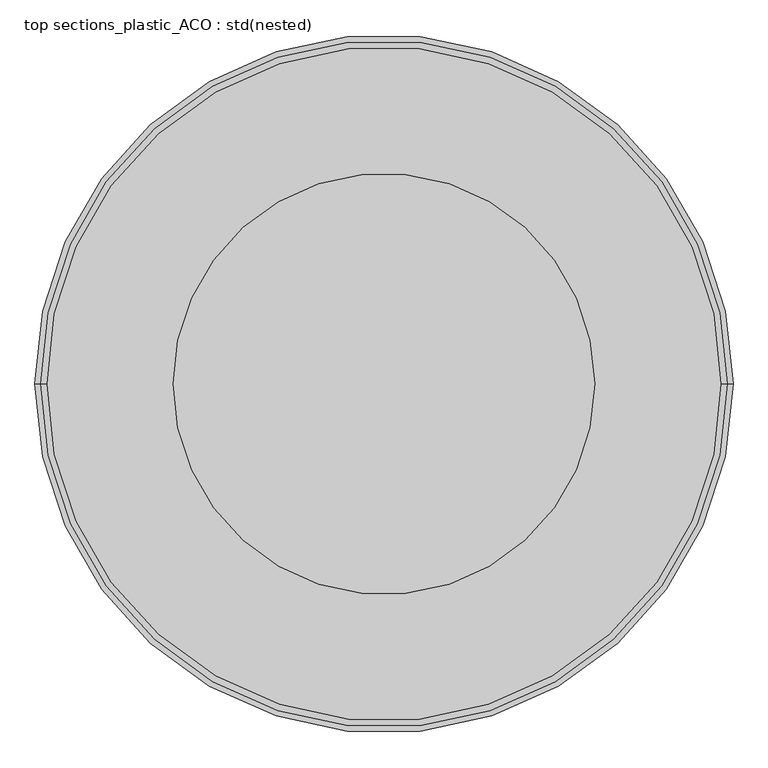
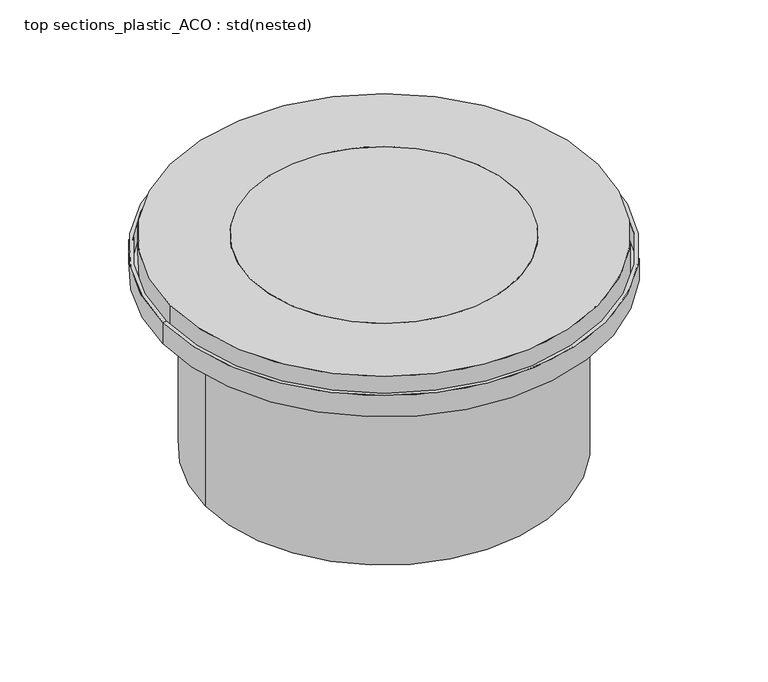
"""IFC4 building model written with IfcOpenShell, lengths in millimetres: unitary equipment geometry, top sections_plastic_ACO : std(nested)."""

from ifc_helpers import new_model, si_unit, point, frame, origin, origin_2d, place, context, project, spatial, polyline, circle_curve, trimmed, segment, composite_curve, outline, extrude, source, transform, mapped, element, save
from ifc_brep_helpers import plane_surface, cylinder_surface, revolved_surface, advanced_brep


def top_sections_plastic_aco_std_nested_0c7df508(model_context):
    return source(origin(), model_context, "Body", "SolidModel", [
        advanced_brep(
        [(-510.0, 0.0, -35.0), (510.0, 0.0, -35.0), (518.0, 0.0, -35.0), (-518.0, 0.0, -35.0), (-510.0, 0.0, -80.0), (510.0, 0.0, -80.0), (-410.0, 0.0, -80.0), (410.0, 0.0, -80.0), (-410.0, 0.0, -525.0), (410.0, 0.0, -525.0), (-418.0, 0.0, -525.0), (418.0, 0.0, -525.0), (-418.0, 0.0, -88.0), (418.0, 0.0, -88.0), (-518.0, 0.0, -88.0), (518.0, 0.0, -88.0)],
        [
            (0, 1, circle_curve(frame((0.0, 0.0, -35.0), z_axis=(0.0, 0.0, -1.0), x_axis=(1.0, 0.0, 0.0)), 510.0)),
            (1, 2),
            (2, 3, circle_curve(frame((0.0, 0.0, -35.0), z_axis=(0.0, 0.0, 1.0), x_axis=(1.0, 0.0, 0.0)), 518.0)),
            (3, 0),
            (1, 0, circle_curve(frame((0.0, 0.0, -35.0), z_axis=(0.0, 0.0, -1.0), x_axis=(1.0, 0.0, 0.0)), 510.0)),
            (3, 2, circle_curve(frame((0.0, 0.0, -35.0), z_axis=(0.0, 0.0, 1.0), x_axis=(1.0, 0.0, 0.0)), 518.0)),
            (4, 5, circle_curve(frame((0.0, 0.0, -80.0), z_axis=(0.0, 0.0, -1.0), x_axis=(1.0, 0.0, 0.0)), 510.0)),
            (5, 1),
            (0, 4),
            (5, 4, circle_curve(frame((0.0, 0.0, -80.0), z_axis=(0.0, 0.0, -1.0), x_axis=(1.0, 0.0, 0.0)), 510.0)),
            (6, 7, circle_curve(frame((0.0, 0.0, -80.0), z_axis=(0.0, 0.0, -1.0), x_axis=(1.0, 0.0, 0.0)), 410.0)),
            (7, 5),
            (4, 6),
            (7, 6, circle_curve(frame((0.0, 0.0, -80.0), z_axis=(0.0, 0.0, -1.0), x_axis=(1.0, 0.0, 0.0)), 410.0)),
            (8, 9, circle_curve(frame((0.0, 0.0, -525.0), z_axis=(0.0, 0.0, -1.0), x_axis=(1.0, 0.0, 0.0)), 410.0)),
            (9, 7),
            (6, 8),
            (9, 8, circle_curve(frame((0.0, 0.0, -525.0), z_axis=(0.0, 0.0, -1.0), x_axis=(1.0, 0.0, 0.0)), 410.0)),
            (10, 11, circle_curve(frame((0.0, 0.0, -525.0), z_axis=(0.0, 0.0, -1.0), x_axis=(1.0, 0.0, 0.0)), 418.0)),
            (11, 9),
            (8, 10),
            (11, 10, circle_curve(frame((0.0, 0.0, -525.0), z_axis=(0.0, 0.0, -1.0), x_axis=(1.0, 0.0, 0.0)), 418.0)),
            (12, 13, circle_curve(frame((0.0, 0.0, -88.0), z_axis=(0.0, 0.0, -1.0), x_axis=(1.0, 0.0, 0.0)), 418.0)),
            (13, 11),
            (10, 12),
            (13, 12, circle_curve(frame((0.0, 0.0, -88.0), z_axis=(0.0, 0.0, -1.0), x_axis=(1.0, 0.0, 0.0)), 418.0)),
            (14, 15, circle_curve(frame((0.0, 0.0, -88.0), z_axis=(0.0, 0.0, -1.0), x_axis=(1.0, 0.0, 0.0)), 518.0)),
            (15, 13),
            (12, 14),
            (15, 14, circle_curve(frame((0.0, 0.0, -88.0), z_axis=(0.0, 0.0, -1.0), x_axis=(1.0, 0.0, 0.0)), 518.0)),
            (2, 15),
            (14, 3),
        ],
        [
            plane_surface(frame((0.0, 0.0, -35.0), z_axis=(0.0, 0.0, 1.0), x_axis=(1.0, 0.0, 0.0))),
            revolved_surface(polyline([(510.0, 0.0, -35.0), (510.0, 0.0, -80.0)]), (0.0, 0.0, 240.0), (0.0, 0.0, 1.0)),
            plane_surface(frame((0.0, 0.0, -80.0), z_axis=(0.0, 0.0, 1.0), x_axis=(1.0, 0.0, 0.0))),
            revolved_surface(polyline([(410.0, 0.0, -80.0), (410.0, 0.0, -525.0)]), (0.0, 0.0, 240.0), (0.0, 0.0, 1.0)),
            plane_surface(frame((0.0, 0.0, -525.0), z_axis=(0.0, 0.0, -1.0), x_axis=(1.0, 0.0, 0.0))),
            cylinder_surface(frame((0.0, 0.0, 240.0), z_axis=(0.0, 0.0, 1.0), x_axis=(1.0, 0.0, 0.0)), 418.0),
            plane_surface(frame((0.0, 0.0, -88.0), z_axis=(0.0, 0.0, -1.0), x_axis=(1.0, 0.0, 0.0))),
            cylinder_surface(frame((0.0, 0.0, 240.0), z_axis=(0.0, 0.0, 1.0), x_axis=(1.0, 0.0, 0.0)), 518.0),
        ],
        [
            (0, [[1, 2, 3, 4]]),
            (0, [[5, -4, 6, -2]]),
            (1, [[7, 8, -1, 9]]),
            (1, [[10, -9, -5, -8]]),
            (2, [[11, 12, -7, 13]]),
            (2, [[14, -13, -10, -12]]),
            (3, [[15, 16, -11, 17]]),
            (3, [[18, -17, -14, -16]]),
            (4, [[19, 20, -15, 21]]),
            (4, [[22, -21, -18, -20]]),
            (5, [[23, 24, -19, 25]]),
            (5, [[26, -25, -22, -24]]),
            (6, [[27, 28, -23, 29]]),
            (6, [[30, -29, -26, -28]]),
            (7, [[-3, 31, -27, 32]]),
            (7, [[-6, -32, -30, -31]]),
        ],
    ),
        extrude(outline(composite_curve([segment(trimmed(circle_curve(origin_2d(), 312.5), [point((312.5, 0.0))], [point((-312.5, 0.0))], False, "CARTESIAN"), True, "CONTINUOUS"), segment(trimmed(circle_curve(origin_2d(), 312.5), [point((-312.5, 0.0))], [point((312.5, 0.0))], False, "CARTESIAN"), True, "CONTINUOUS")], self_intersect=False)), frame((0.0, 0.0, -60.0), z_axis=(0.0, 0.0, 1.0), x_axis=(1.0, 0.0, 0.0)), (0.0, 0.0, 1.0), 60.0),
        extrude(outline(composite_curve([segment(trimmed(circle_curve(origin_2d(), 500.0), [point((-500.0, 0.0))], [point((500.0, 0.0))], False, "CARTESIAN"), True, "CONTINUOUS"), segment(trimmed(circle_curve(origin_2d(), 500.0), [point((500.0, 0.0))], [point((-500.0, 0.0))], False, "CARTESIAN"), True, "CONTINUOUS")], self_intersect=False), holes=[composite_curve([segment(trimmed(circle_curve(origin_2d(), 312.5), [point((-312.5, 0.0))], [point((312.5, 0.0))], True, "CARTESIAN"), True, "CONTINUOUS"), segment(trimmed(circle_curve(origin_2d(), 312.5), [point((312.5, 0.0))], [point((-312.5, 0.0))], True, "CARTESIAN"), True, "CONTINUOUS")], self_intersect=False)]), frame((0.0, 0.0, -80.0), z_axis=(0.0, 0.0, 1.0), x_axis=(1.0, 0.0, 0.0)), (0.0, 0.0, 1.0), 80.0),
    ])


if __name__ == "__main__":
    model = new_model("IFC4")
    model_context = context("Model", 3, world=origin())
    ifc_project = project(units=[si_unit("LENGTHUNIT", "METRE", prefix="MILLI")], contexts=[model_context])
    site = spatial("IfcSite", under=ifc_project)
    building = spatial("IfcBuilding", under=site)
    placement = place(None, origin())
    top_sections_plastic_aco_std_nested_shape = top_sections_plastic_aco_std_nested_0c7df508(model_context)
    element("IfcUnitaryEquipment", 1, ObjectType="top sections_plastic_ACO : std(nested)", at=placement, inside=building, context=model_context, shape_type="MappedRepresentation", body=[
        mapped(top_sections_plastic_aco_std_nested_shape, transform((0.0, 0.0, 0.0), x_axis=(1.0, 0.0, 0.0), y_axis=(0.0, 1.0, 0.0), z_axis=(0.0, 0.0, 1.0))),
    ])
    save(model, "model.ifc")
